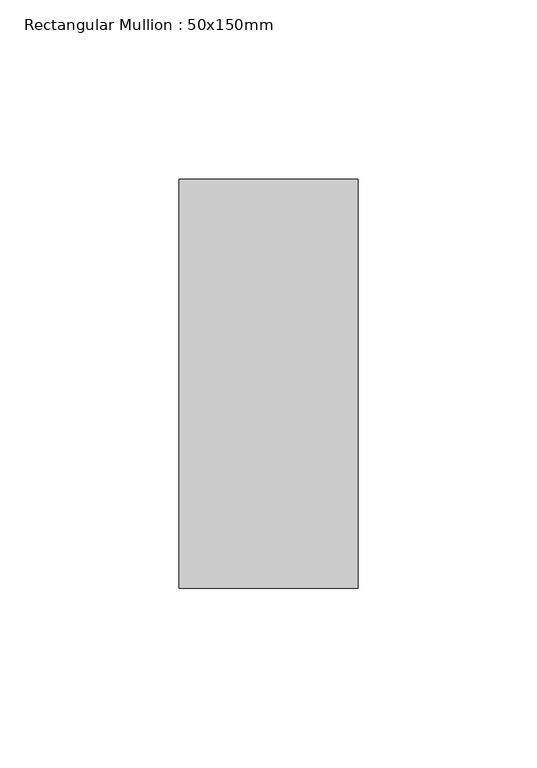
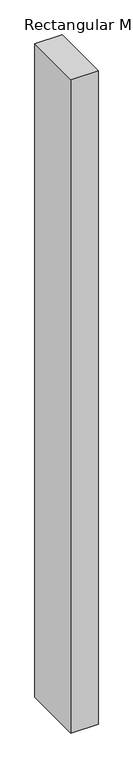
"""IFC4 building model written with IfcOpenShell, lengths in millimetres: member geometry, Rectangular Mullion : 50x150mm."""

from ifc_helpers import new_model, si_unit, frame, origin, place, context, project, spatial, polyline, outline, extrude, source, transform, mapped, element, save


def rectangular_mullion_50x150mm_82c681a6(model_context):
    return source(origin(), model_context, "Body", "SweptSolid", [
        extrude(outline(polyline([(0.0, 57.15), (0.0, -57.15), (-50.0, -57.15), (-50.0, 57.15), (0.0, 57.15)])), frame((0.0, 0.0, -1270.0), z_axis=(0.0, 0.0, 1.0), x_axis=(1.0, 0.0, 0.0)), (0.0, 0.0, 1.0), 1270.0),
    ])


if __name__ == "__main__":
    model = new_model("IFC4")
    model_context = context("Model", 3, world=origin())
    ifc_project = project(units=[si_unit("LENGTHUNIT", "METRE", prefix="MILLI")], contexts=[model_context])
    site = spatial("IfcSite", under=ifc_project)
    building = spatial("IfcBuilding", under=site)
    placement = place(None, origin())
    rectangular_mullion_50x150mm_shape = rectangular_mullion_50x150mm_82c681a6(model_context)
    element("IfcMember", 1, ObjectType="Rectangular Mullion : 50x150mm", at=placement, inside=building, context=model_context, shape_type="MappedRepresentation", body=[
        mapped(rectangular_mullion_50x150mm_shape, transform((0.0, 0.0, 0.0), x_axis=(1.0, 0.0, 0.0), y_axis=(0.0, 1.0, 0.0), z_axis=(0.0, 0.0, 1.0))),
    ])
    save(model, "model.ifc")
